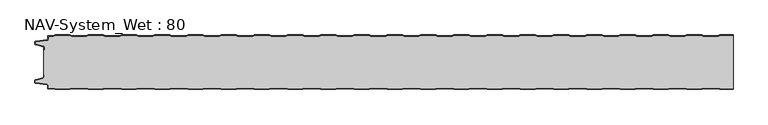
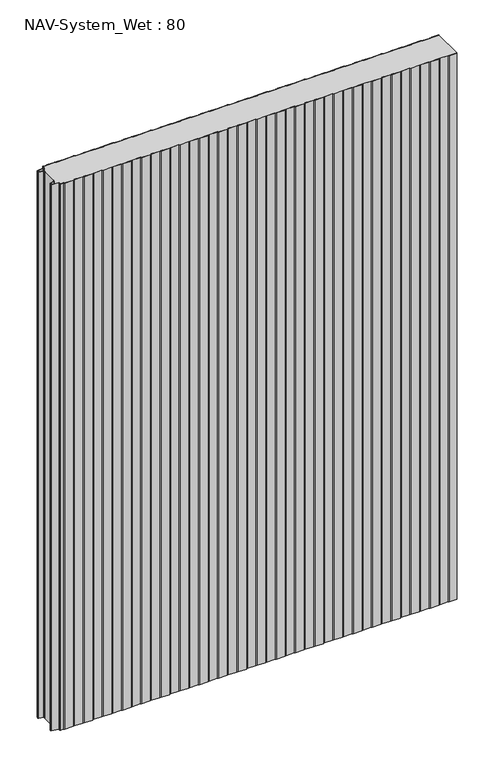
"""IFC4 building model written with IfcOpenShell, lengths in millimetres: plate geometry, NAV-System_Wet : 80."""

from ifc_helpers import new_model, si_unit, point, frame_2d, origin, origin_with_axes, place, context, project, spatial, polyline, circle_curve, trimmed, segment, composite_curve, outline, extrude, source, transform, mapped, element, save


def nav_system_wet_80_adb42d1a(model_context):
    return source(origin(), model_context, "Body", "SweptSolid", [
        extrude(outline(composite_curve([segment(polyline([(480.3684327, -0.8), (477.3684327, 0.2), (455.3684327, 0.2), (452.3684327, -0.8), (430.3684327, -0.8), (427.3684327, 0.2), (405.3684327, 0.2), (402.3684327, -0.8), (380.3684327, -0.8), (377.3684327, 0.2), (355.3684327, 0.2), (352.3684327, -0.8), (330.3684327, -0.8), (327.3684327, 0.2), (305.3684327, 0.2), (302.3684327, -0.8), (280.3684327, -0.8), (277.3684327, 0.2), (255.3684327, 0.2), (252.3684327, -0.8), (230.3684327, -0.8), (227.3684327, 0.2), (205.3684327, 0.2), (202.3684327, -0.8), (180.3684327, -0.8), (177.3684327, 0.2), (155.3684327, 0.2), (152.3684327, -0.8), (130.3684327, -0.8), (127.3684327, 0.2), (105.3684327, 0.2), (102.3684327, -0.8), (80.3684327, -0.8), (77.3684327, 0.2), (55.3684327, 0.2), (52.3684327, -0.8), (30.3684327, -0.8), (27.3684327, 0.2), (5.3684327, 0.2), (2.3684327, -0.8), (-19.6315673, -0.8), (-22.6315673, 0.2), (-44.6315673, 0.2), (-47.6315673, -0.8), (-69.6315673, -0.8), (-72.6315673, 0.2), (-94.6315673, 0.2), (-97.6315673, -0.8), (-119.6315673, -0.8), (-122.6315673, 0.2), (-144.6315673, 0.2), (-147.6315673, -0.8), (-169.6315673, -0.8), (-172.6315673, 0.2), (-194.6315673, 0.2), (-197.6315673, -0.8), (-219.6315673, -0.8), (-222.6315673, 0.2), (-244.6315673, 0.2), (-247.6315673, -0.8), (-269.6315673, -0.8), (-272.6315673, 0.2), (-294.6315673, 0.2), (-297.6315673, -0.8), (-319.6315673, -0.8), (-322.6315673, 0.2), (-344.6315673, 0.2), (-347.6315673, -0.8), (-369.6315673, -0.8), (-372.6315673, 0.2), (-394.6315673, 0.2), (-397.6315673, -0.8), (-419.6315673, -0.8), (-422.6315673, 0.2), (-444.6315673, 0.2), (-447.6315673, -0.8), (-469.6315673, -0.8), (-472.6315673, 0.2), (-494.6315673, 0.2), (-497.6315673, -0.8), (-504.7, -0.8)]), True, "CONTINUOUS"), segment(trimmed(circle_curve(frame_2d((-504.7, -1.3)), 0.5), [point((-504.7, -0.8))], [point((-505.2, -1.3))], True, "CARTESIAN"), True, "CONTINUOUS"), segment(polyline([(-505.2, -1.3), (-505.2, -5.3964683)]), True, "CONTINUOUS"), segment(trimmed(circle_curve(frame_2d((-506.7, -5.3964683)), 1.5), [point((-505.2, -5.3964683))], [point((-506.4911207, -6.8818536))], False, "CARTESIAN"), True, "CONTINUOUS"), segment(polyline([(-506.4911207, -6.8818536), (-523.4352183, -9.2645825)]), True, "CONTINUOUS"), segment(trimmed(circle_curve(frame_2d((-523.3114909, -10.1444347)), 0.8885091), [point((-523.4352183, -9.2645825))], [point((-524.2, -10.1444347))], True, "CARTESIAN"), True, "CONTINUOUS"), segment(polyline([(-524.2, -10.1444347), (-524.2, -12.46995)]), True, "CONTINUOUS"), segment(trimmed(circle_curve(frame_2d((-523.6, -12.46995)), 0.6), [point((-524.2, -12.46995))], [point((-523.7552914, -13.0495055))], True, "CARTESIAN"), True, "CONTINUOUS"), segment(polyline([(-523.7552914, -13.0495055), (-512.3785632, -16.0978907)]), True, "CONTINUOUS"), segment(trimmed(circle_curve(frame_2d((-512.7667917, -17.5467794)), 1.5), [point((-512.3785632, -16.0978907))], [point((-511.2667917, -17.5467794))], False, "CARTESIAN"), True, "CONTINUOUS"), segment(polyline([(-511.2667917, -17.5467794), (-511.2667917, -21.0096505), (-512.0667917, -21.0096505), (-512.0667917, -17.5467794)]), True, "CONTINUOUS"), segment(trimmed(circle_curve(frame_2d((-512.7667917, -17.5467794)), 0.7), [point((-512.0667917, -17.5467794))], [point((-512.5856184, -16.8706313))], True, "CARTESIAN"), True, "CONTINUOUS"), segment(polyline([(-512.5856184, -16.8706313), (-524.0364648, -13.8023863)]), True, "CONTINUOUS"), segment(trimmed(circle_curve(frame_2d((-523.7, -12.5466827)), 1.3), [point((-524.0364648, -13.8023863))], [point((-525.0, -12.5466827))], False, "CARTESIAN"), True, "CONTINUOUS"), segment(polyline([(-525.0, -12.5466827), (-525.0, -9.8067363)]), True, "CONTINUOUS"), segment(trimmed(circle_curve(frame_2d((-523.7, -9.8067363)), 1.3), [point((-525.0, -9.8067363))], [point((-523.8810287, -8.5194024))], False, "CARTESIAN"), True, "CONTINUOUS"), segment(polyline([(-523.8810287, -8.5194024), (-506.602523, -6.0896481)]), True, "CONTINUOUS"), segment(trimmed(circle_curve(frame_2d((-506.7, -5.3964683)), 0.7), [point((-506.602523, -6.0896481))], [point((-506.0, -5.3964683))], True, "CARTESIAN"), True, "CONTINUOUS"), segment(polyline([(-506.0, -5.3964683), (-506.0, -1.3)]), True, "CONTINUOUS"), segment(trimmed(circle_curve(frame_2d((-504.7, -1.3)), 1.3), [point((-506.0, -1.3))], [point((-504.7, 0.0))], False, "CARTESIAN"), True, "CONTINUOUS"), segment(polyline([(-504.7, 0.0), (-497.7613895, 0.0), (-494.7613895, 1.0), (-472.5017452, 1.0), (-469.5017452, 0.0), (-447.7613895, 0.0), (-444.7613895, 1.0), (-422.5017452, 1.0), (-419.5017452, 0.0), (-397.7613895, 0.0), (-394.7613895, 1.0), (-372.5017452, 1.0), (-369.5017452, 0.0), (-347.7613895, 0.0), (-344.7613895, 1.0), (-322.5017452, 1.0), (-319.5017452, 0.0), (-297.7613895, 0.0), (-294.7613895, 1.0), (-272.5017452, 1.0), (-269.5017452, 0.0), (-247.7613895, 0.0), (-244.7613895, 1.0), (-222.5017452, 1.0), (-219.5017452, 0.0), (-197.7613895, 0.0), (-194.7613895, 1.0), (-172.5017452, 1.0), (-169.5017452, 0.0), (-147.7613895, 0.0), (-144.7613895, 1.0), (-122.5017452, 1.0), (-119.5017452, 0.0), (-97.7613895, 0.0), (-94.7613895, 1.0), (-72.5017452, 1.0), (-69.5017452, 0.0), (-47.7613895, 0.0), (-44.7613895, 1.0), (-22.5017452, 1.0), (-19.5017452, 0.0), (2.2386105, 0.0), (5.2386105, 1.0), (27.4982548, 1.0), (30.4982548, 0.0), (52.2386105, 0.0), (55.2386105, 1.0), (77.4982548, 1.0), (80.4982548, 0.0), (102.2386105, 0.0), (105.2386105, 1.0), (127.4982548, 1.0), (130.4982548, 0.0), (152.2386105, 0.0), (155.2386105, 1.0), (177.4982548, 1.0), (180.4982548, 0.0), (202.2386105, 0.0), (205.2386105, 1.0), (227.4982548, 1.0), (230.4982548, 0.0), (252.2386105, 0.0), (255.2386105, 1.0), (277.4982548, 1.0), (280.4982548, 0.0), (302.2386105, 0.0), (305.2386105, 1.0), (327.4982548, 1.0), (330.4982548, 0.0), (352.2386105, 0.0), (355.2386105, 1.0), (377.4982548, 1.0), (380.4982548, 0.0), (402.2386105, 0.0), (405.2386105, 1.0), (427.4982548, 1.0), (430.4982548, 0.0), (452.2386105, 0.0), (455.2386105, 1.0), (477.4982548, 1.0), (480.4982548, 0.0), (502.2386105, 0.0), (505.2386105, 1.0), (525.0, 1.0), (525.0, 0.2), (505.3684327, 0.2), (502.3684327, -0.8), (480.3684327, -0.8)]), True, "CONTINUOUS")], self_intersect=False)), origin_with_axes(), (0.0, 0.0, 1.0), 1500.0),
        extrude(outline(composite_curve([segment(polyline([(480.3684327, -0.8), (502.3684327, -0.8), (505.3684327, 0.2), (525.0, 0.2), (525.0, -80.2), (505.3684327, -80.2), (502.3684327, -79.2), (480.3684327, -79.2), (477.3684327, -80.2), (455.3684327, -80.2), (452.3684327, -79.2), (430.3684327, -79.2), (427.3684327, -80.2), (405.3684327, -80.2), (402.3684327, -79.2), (380.3684327, -79.2), (377.3684327, -80.2), (355.3684327, -80.2), (352.3684327, -79.2), (330.3684327, -79.2), (327.3684327, -80.2), (305.3684327, -80.2), (302.3684327, -79.2), (280.3684327, -79.2), (277.3684327, -80.2), (255.3684327, -80.2), (252.3684327, -79.2), (230.3684327, -79.2), (227.3684327, -80.2), (205.3684327, -80.2), (202.3684327, -79.2), (180.3684327, -79.2), (177.3684327, -80.2), (155.3684327, -80.2), (152.3684327, -79.2), (130.3684327, -79.2), (127.3684327, -80.2), (105.3684327, -80.2), (102.3684327, -79.2), (80.3684327, -79.2), (77.3684327, -80.2), (55.3684327, -80.2), (52.3684327, -79.2), (30.3684327, -79.2), (27.3684327, -80.2), (5.3684327, -80.2), (2.3684327, -79.2), (-19.6315673, -79.2), (-22.6315673, -80.2), (-44.6315673, -80.2), (-47.6315673, -79.2), (-69.6315673, -79.2), (-72.6315673, -80.2), (-94.6315673, -80.2), (-97.6315673, -79.2), (-119.6315673, -79.2), (-122.6315673, -80.2), (-144.6315673, -80.2), (-147.6315673, -79.2), (-169.6315673, -79.2), (-172.6315673, -80.2), (-194.6315673, -80.2), (-197.6315673, -79.2), (-219.6315673, -79.2), (-222.6315673, -80.2), (-244.6315673, -80.2), (-247.6315673, -79.2), (-269.6315673, -79.2), (-272.6315673, -80.2), (-294.6315673, -80.2), (-297.6315673, -79.2), (-319.6315673, -79.2), (-322.6315673, -80.2), (-344.6315673, -80.2), (-347.6315673, -79.2), (-369.6315673, -79.2), (-372.6315673, -80.2), (-394.6315673, -80.2), (-397.6315673, -79.2), (-419.6315673, -79.2), (-422.6315673, -80.2), (-444.6315673, -80.2), (-447.6315673, -79.2), (-469.6315673, -79.2), (-472.6315673, -80.2), (-494.6315673, -80.2), (-497.6315673, -79.2), (-504.7, -79.2)]), True, "CONTINUOUS"), segment(trimmed(circle_curve(frame_2d((-504.7, -78.7)), 0.5), [point((-504.7, -79.2))], [point((-505.2, -78.7))], False, "CARTESIAN"), True, "CONTINUOUS"), segment(polyline([(-505.2, -78.7), (-505.2, -74.6035317)]), True, "CONTINUOUS"), segment(trimmed(circle_curve(frame_2d((-506.7, -74.6035317)), 1.5), [point((-505.2, -74.6035317))], [point((-506.4911207, -73.1181464))], True, "CARTESIAN"), True, "CONTINUOUS"), segment(polyline([(-506.4911207, -73.1181464), (-523.4352183, -70.7354175)]), True, "CONTINUOUS"), segment(trimmed(circle_curve(frame_2d((-523.3114909, -69.8555653)), 0.8885091), [point((-523.4352183, -70.7354175))], [point((-524.2, -69.8555653))], False, "CARTESIAN"), True, "CONTINUOUS"), segment(polyline([(-524.2, -69.8555653), (-524.2, -67.53005)]), True, "CONTINUOUS"), segment(trimmed(circle_curve(frame_2d((-523.6, -67.53005)), 0.6), [point((-524.2, -67.53005))], [point((-523.7552914, -66.9504945))], False, "CARTESIAN"), True, "CONTINUOUS"), segment(polyline([(-523.7552914, -66.9504945), (-512.3785632, -63.9021093)]), True, "CONTINUOUS"), segment(trimmed(circle_curve(frame_2d((-512.7667917, -62.4532206)), 1.5), [point((-512.3785632, -63.9021093))], [point((-511.2667917, -62.4532206))], True, "CARTESIAN"), True, "CONTINUOUS"), segment(polyline([(-511.2667917, -62.4532206), (-511.2667917, -58.9903495), (-512.0667917, -58.9903495), (-512.0667917, -21.0096505), (-511.2667917, -21.0096505), (-511.2667917, -17.5467794)]), True, "CONTINUOUS"), segment(trimmed(circle_curve(frame_2d((-512.7667917, -17.5467794)), 1.5), [point((-511.2667917, -17.5467794))], [point((-512.3785632, -16.0978907))], True, "CARTESIAN"), True, "CONTINUOUS"), segment(polyline([(-512.3785632, -16.0978907), (-523.7552914, -13.0495055)]), True, "CONTINUOUS"), segment(trimmed(circle_curve(frame_2d((-523.6, -12.46995)), 0.6), [point((-523.7552914, -13.0495055))], [point((-524.2, -12.46995))], False, "CARTESIAN"), True, "CONTINUOUS"), segment(polyline([(-524.2, -12.46995), (-524.2, -10.1444347)]), True, "CONTINUOUS"), segment(trimmed(circle_curve(frame_2d((-523.3114909, -10.1444347)), 0.8885091), [point((-524.2, -10.1444347))], [point((-523.4352183, -9.2645825))], False, "CARTESIAN"), True, "CONTINUOUS"), segment(polyline([(-523.4352183, -9.2645825), (-506.4911207, -6.8818536)]), True, "CONTINUOUS"), segment(trimmed(circle_curve(frame_2d((-506.7, -5.3964683)), 1.5), [point((-506.4911207, -6.8818536))], [point((-505.2, -5.3964683))], True, "CARTESIAN"), True, "CONTINUOUS"), segment(polyline([(-505.2, -5.3964683), (-505.2, -1.3)]), True, "CONTINUOUS"), segment(trimmed(circle_curve(frame_2d((-504.7, -1.3)), 0.5), [point((-505.2, -1.3))], [point((-504.7, -0.8))], False, "CARTESIAN"), True, "CONTINUOUS"), segment(polyline([(-504.7, -0.8), (-497.6315673, -0.8), (-494.6315673, 0.2), (-472.6315673, 0.2), (-469.6315673, -0.8), (-447.6315673, -0.8), (-444.6315673, 0.2), (-422.6315673, 0.2), (-419.6315673, -0.8), (-397.6315673, -0.8), (-394.6315673, 0.2), (-372.6315673, 0.2), (-369.6315673, -0.8), (-347.6315673, -0.8), (-344.6315673, 0.2), (-322.6315673, 0.2), (-319.6315673, -0.8), (-297.6315673, -0.8), (-294.6315673, 0.2), (-272.6315673, 0.2), (-269.6315673, -0.8), (-247.6315673, -0.8), (-244.6315673, 0.2), (-222.6315673, 0.2), (-219.6315673, -0.8), (-197.6315673, -0.8), (-194.6315673, 0.2), (-172.6315673, 0.2), (-169.6315673, -0.8), (-147.6315673, -0.8), (-144.6315673, 0.2), (-122.6315673, 0.2), (-119.6315673, -0.8), (-97.6315673, -0.8), (-94.6315673, 0.2), (-72.6315673, 0.2), (-69.6315673, -0.8), (-47.6315673, -0.8), (-44.6315673, 0.2), (-22.6315673, 0.2), (-19.6315673, -0.8), (2.3684327, -0.8), (5.3684327, 0.2), (27.3684327, 0.2), (30.3684327, -0.8), (52.3684327, -0.8), (55.3684327, 0.2), (77.3684327, 0.2), (80.3684327, -0.8), (102.3684327, -0.8), (105.3684327, 0.2), (127.3684327, 0.2), (130.3684327, -0.8), (152.3684327, -0.8), (155.3684327, 0.2), (177.3684327, 0.2), (180.3684327, -0.8), (202.3684327, -0.8), (205.3684327, 0.2), (227.3684327, 0.2), (230.3684327, -0.8), (252.3684327, -0.8), (255.3684327, 0.2), (277.3684327, 0.2), (280.3684327, -0.8), (302.3684327, -0.8), (305.3684327, 0.2), (327.3684327, 0.2), (330.3684327, -0.8), (352.3684327, -0.8), (355.3684327, 0.2), (377.3684327, 0.2), (380.3684327, -0.8), (402.3684327, -0.8), (405.3684327, 0.2), (427.3684327, 0.2), (430.3684327, -0.8), (452.3684327, -0.8), (455.3684327, 0.2), (477.3684327, 0.2), (480.3684327, -0.8)]), True, "CONTINUOUS")], self_intersect=False)), origin_with_axes(), (0.0, 0.0, 1.0), 1500.0),
        extrude(outline(composite_curve([segment(polyline([(480.3684327, -79.2), (502.3684327, -79.2), (505.3684327, -80.2), (525.0, -80.2), (525.0, -81.0), (505.2386105, -81.0), (502.2386105, -80.0), (480.4982548, -80.0), (477.4982548, -81.0), (455.2386105, -81.0), (452.2386105, -80.0), (430.4982548, -80.0), (427.4982548, -81.0), (405.2386105, -81.0), (402.2386105, -80.0), (380.4982548, -80.0), (377.4982548, -81.0), (355.2386105, -81.0), (352.2386105, -80.0), (330.4982548, -80.0), (327.4982548, -81.0), (305.2386105, -81.0), (302.2386105, -80.0), (280.4982548, -80.0), (277.4982548, -81.0), (255.2386105, -81.0), (252.2386105, -80.0), (230.4982548, -80.0), (227.4982548, -81.0), (205.2386105, -81.0), (202.2386105, -80.0), (180.4982548, -80.0), (177.4982548, -81.0), (155.2386105, -81.0), (152.2386105, -80.0), (130.4982548, -80.0), (127.4982548, -81.0), (105.2386105, -81.0), (102.2386105, -80.0), (80.4982548, -80.0), (77.4982548, -81.0), (55.2386105, -81.0), (52.2386105, -80.0), (30.4982548, -80.0), (27.4982548, -81.0), (5.2386105, -81.0), (2.2386105, -80.0), (-19.5017452, -80.0), (-22.5017452, -81.0), (-44.7613895, -81.0), (-47.7613895, -80.0), (-69.5017452, -80.0), (-72.5017452, -81.0), (-94.7613895, -81.0), (-97.7613895, -80.0), (-119.5017452, -80.0), (-122.5017452, -81.0), (-144.7613895, -81.0), (-147.7613895, -80.0), (-169.5017452, -80.0), (-172.5017452, -81.0), (-194.7613895, -81.0), (-197.7613895, -80.0), (-219.5017452, -80.0), (-222.5017452, -81.0), (-244.7613895, -81.0), (-247.7613895, -80.0), (-269.5017452, -80.0), (-272.5017452, -81.0), (-294.7613895, -81.0), (-297.7613895, -80.0), (-319.5017452, -80.0), (-322.5017452, -81.0), (-344.7613895, -81.0), (-347.7613895, -80.0), (-369.5017452, -80.0), (-372.5017452, -81.0), (-394.7613895, -81.0), (-397.7613895, -80.0), (-419.5017452, -80.0), (-422.5017452, -81.0), (-444.7613895, -81.0), (-447.7613895, -80.0), (-469.5017452, -80.0), (-472.5017452, -81.0), (-494.7613895, -81.0), (-497.7613895, -80.0), (-504.7, -80.0)]), True, "CONTINUOUS"), segment(trimmed(circle_curve(frame_2d((-504.7, -78.7)), 1.3), [point((-504.7, -80.0))], [point((-506.0, -78.7))], False, "CARTESIAN"), True, "CONTINUOUS"), segment(polyline([(-506.0, -78.7), (-506.0, -74.6035317)]), True, "CONTINUOUS"), segment(trimmed(circle_curve(frame_2d((-506.7, -74.6035317)), 0.7), [point((-506.0, -74.6035317))], [point((-506.602523, -73.9103519))], True, "CARTESIAN"), True, "CONTINUOUS"), segment(polyline([(-506.602523, -73.9103519), (-523.8810287, -71.4805976)]), True, "CONTINUOUS"), segment(trimmed(circle_curve(frame_2d((-523.7, -70.1932637)), 1.3), [point((-523.8810287, -71.4805976))], [point((-525.0, -70.1932637))], False, "CARTESIAN"), True, "CONTINUOUS"), segment(polyline([(-525.0, -70.1932637), (-525.0, -67.4533173)]), True, "CONTINUOUS"), segment(trimmed(circle_curve(frame_2d((-523.7, -67.4533173)), 1.3), [point((-525.0, -67.4533173))], [point((-524.0364648, -66.1976137))], False, "CARTESIAN"), True, "CONTINUOUS"), segment(polyline([(-524.0364648, -66.1976137), (-512.5856184, -63.1293687)]), True, "CONTINUOUS"), segment(trimmed(circle_curve(frame_2d((-512.7667917, -62.4532206)), 0.7), [point((-512.5856184, -63.1293687))], [point((-512.0667917, -62.4532206))], True, "CARTESIAN"), True, "CONTINUOUS"), segment(polyline([(-512.0667917, -62.4532206), (-512.0667917, -58.9903495), (-511.2667917, -58.9903495), (-511.2667917, -62.4532206)]), True, "CONTINUOUS"), segment(trimmed(circle_curve(frame_2d((-512.7667917, -62.4532206)), 1.5), [point((-511.2667917, -62.4532206))], [point((-512.3785632, -63.9021093))], False, "CARTESIAN"), True, "CONTINUOUS"), segment(polyline([(-512.3785632, -63.9021093), (-523.7552914, -66.9504945)]), True, "CONTINUOUS"), segment(trimmed(circle_curve(frame_2d((-523.6, -67.53005)), 0.6), [point((-523.7552914, -66.9504945))], [point((-524.2, -67.53005))], True, "CARTESIAN"), True, "CONTINUOUS"), segment(polyline([(-524.2, -67.53005), (-524.2, -69.8555653)]), True, "CONTINUOUS"), segment(trimmed(circle_curve(frame_2d((-523.3114909, -69.8555653)), 0.8885091), [point((-524.2, -69.8555653))], [point((-523.4352183, -70.7354175))], True, "CARTESIAN"), True, "CONTINUOUS"), segment(polyline([(-523.4352183, -70.7354175), (-506.4911207, -73.1181464)]), True, "CONTINUOUS"), segment(trimmed(circle_curve(frame_2d((-506.7, -74.6035317)), 1.5), [point((-506.4911207, -73.1181464))], [point((-505.2, -74.6035317))], False, "CARTESIAN"), True, "CONTINUOUS"), segment(polyline([(-505.2, -74.6035317), (-505.2, -78.7)]), True, "CONTINUOUS"), segment(trimmed(circle_curve(frame_2d((-504.7, -78.7)), 0.5), [point((-505.2, -78.7))], [point((-504.7, -79.2))], True, "CARTESIAN"), True, "CONTINUOUS"), segment(polyline([(-504.7, -79.2), (-497.6315673, -79.2), (-494.6315673, -80.2), (-472.6315673, -80.2), (-469.6315673, -79.2), (-447.6315673, -79.2), (-444.6315673, -80.2), (-422.6315673, -80.2), (-419.6315673, -79.2), (-397.6315673, -79.2), (-394.6315673, -80.2), (-372.6315673, -80.2), (-369.6315673, -79.2), (-347.6315673, -79.2), (-344.6315673, -80.2), (-322.6315673, -80.2), (-319.6315673, -79.2), (-297.6315673, -79.2), (-294.6315673, -80.2), (-272.6315673, -80.2), (-269.6315673, -79.2), (-247.6315673, -79.2), (-244.6315673, -80.2), (-222.6315673, -80.2), (-219.6315673, -79.2), (-197.6315673, -79.2), (-194.6315673, -80.2), (-172.6315673, -80.2), (-169.6315673, -79.2), (-147.6315673, -79.2), (-144.6315673, -80.2), (-122.6315673, -80.2), (-119.6315673, -79.2), (-97.6315673, -79.2), (-94.6315673, -80.2), (-72.6315673, -80.2), (-69.6315673, -79.2), (-47.6315673, -79.2), (-44.6315673, -80.2), (-22.6315673, -80.2), (-19.6315673, -79.2), (2.3684327, -79.2), (5.3684327, -80.2), (27.3684327, -80.2), (30.3684327, -79.2), (52.3684327, -79.2), (55.3684327, -80.2), (77.3684327, -80.2), (80.3684327, -79.2), (102.3684327, -79.2), (105.3684327, -80.2), (127.3684327, -80.2), (130.3684327, -79.2), (152.3684327, -79.2), (155.3684327, -80.2), (177.3684327, -80.2), (180.3684327, -79.2), (202.3684327, -79.2), (205.3684327, -80.2), (227.3684327, -80.2), (230.3684327, -79.2), (252.3684327, -79.2), (255.3684327, -80.2), (277.3684327, -80.2), (280.3684327, -79.2), (302.3684327, -79.2), (305.3684327, -80.2), (327.3684327, -80.2), (330.3684327, -79.2), (352.3684327, -79.2), (355.3684327, -80.2), (377.3684327, -80.2), (380.3684327, -79.2), (402.3684327, -79.2), (405.3684327, -80.2), (427.3684327, -80.2), (430.3684327, -79.2), (452.3684327, -79.2), (455.3684327, -80.2), (477.3684327, -80.2), (480.3684327, -79.2)]), True, "CONTINUOUS")], self_intersect=False)), origin_with_axes(), (0.0, 0.0, 1.0), 1500.0),
    ])


if __name__ == "__main__":
    model = new_model("IFC4")
    model_context = context("Model", 3, world=origin())
    ifc_project = project(units=[si_unit("LENGTHUNIT", "METRE", prefix="MILLI")], contexts=[model_context])
    site = spatial("IfcSite", under=ifc_project)
    building = spatial("IfcBuilding", under=site)
    placement = place(None, origin())
    nav_system_wet_80_shape = nav_system_wet_80_adb42d1a(model_context)
    element("IfcPlate", 1, ObjectType="NAV-System_Wet : 80", at=placement, inside=building, context=model_context, shape_type="MappedRepresentation", body=[
        mapped(nav_system_wet_80_shape, transform((0.0, 0.0, 0.0), x_axis=(1.0, 0.0, 0.0), y_axis=(0.0, 1.0, 0.0), z_axis=(0.0, 0.0, 1.0))),
    ])
    save(model, "model.ifc")
